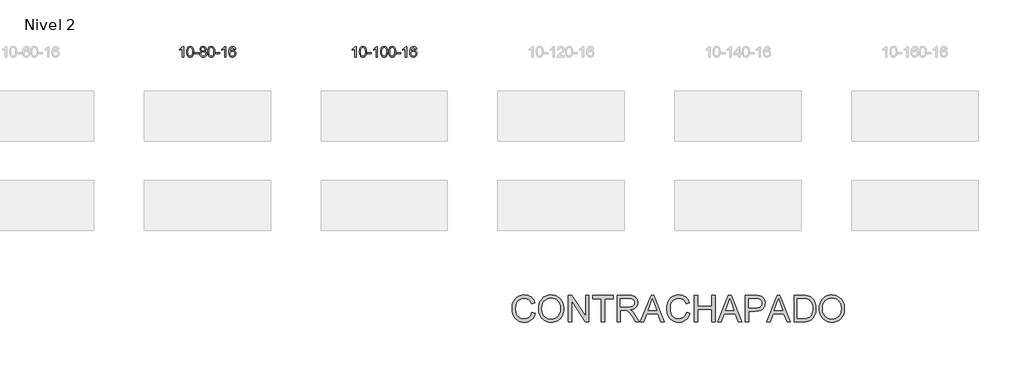
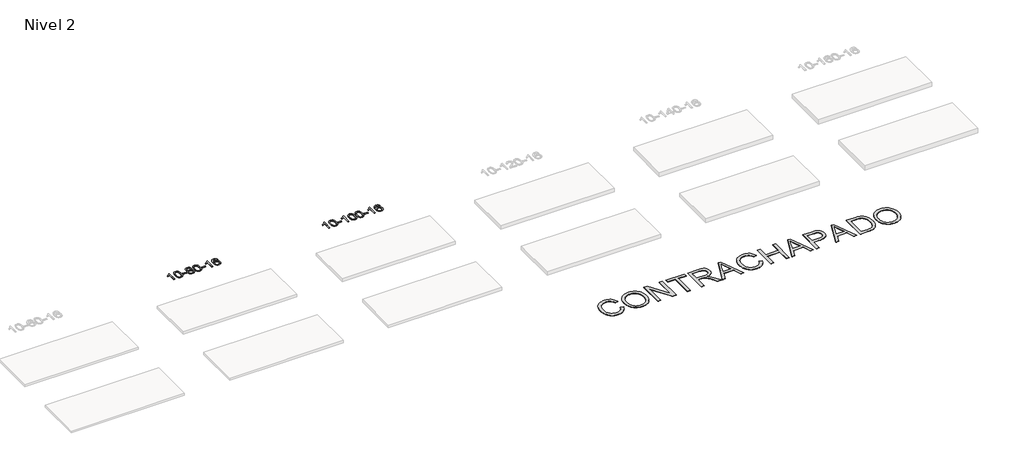
# One storey, part 39 of 51: 3 proxies.
"""IFC4 building model written with IfcOpenShell, lengths in millimetres."""

from ifc_helpers import new_model, si_unit, frame, origin, place, context, project, spatial, polyline, outline, extrude, element, save

model = new_model("IFC4")

# Units and contexts
model_context = context("Model", 3, world=origin())
ifc_project = project(units=[si_unit("LENGTHUNIT", "METRE", prefix="MILLI")], contexts=[model_context])

# Site, building, storey
site = spatial("IfcSite", under=ifc_project)
building = spatial("IfcBuilding", under=site)
storey = spatial("IfcBuildingStorey", under=building, Name="Nivel 2", Elevation=3000.0)

# Proxies
placement = place(None, origin())
element("IfcBuildingElementProxy", 1, Name="Texto de modelo 1", ObjectType="Texto de modelo 1", at=placement, inside=storey, context=model_context, shape_type="SweptSolid", body=[
    extrude(outline(polyline([(11539.5560047, -51771.9246439), (11489.3278496, -51771.9246439), (11489.3278496, -51458.7834896), (11468.3585759, -51475.7428496), (11441.7484449, -51492.6776841), (11388.8715394, -51518.0370163), (11388.8715394, -51470.5557135), (11428.320752, -51449.0959304), (11462.4969894, -51423.56492), (11489.4382142, -51396.4152287), (11507.1823891, -51370.0994033), (11539.5560047, -51370.0994033), (11539.5560047, -51771.9246439)])), frame((0.0, 0.0, 3000.0), z_axis=(0.0, 0.0, 1.0), x_axis=(1.0, 0.0, 0.0)), (0.0, 0.0, 1.0), 10.0),
    extrude(outline(polyline([(11658.847873, -51574.2493852), (11662.5389556, -51509.9313497), (11673.6122037, -51458.6363368), (11691.9572525, -51419.5795317), (11703.8153155, -51404.3461514), (11717.4637375, -51391.9761193), (11732.9485038, -51382.4050561), (11750.3155997, -51375.5685823), (11790.69678, -51370.0994033), (11821.6479186, -51373.3367649), (11849.3616955, -51383.0488496), (11872.5382612, -51398.8555126), (11889.8777659, -51420.3766093), (11902.974365, -51447.4281987), (11913.4222136, -51479.8263398), (11920.2648187, -51520.9678096), (11922.5456871, -51574.2493852), (11918.8913926, -51638.1995387), (11907.9285092, -51689.3719242), (11889.6938249, -51728.4655176), (11877.8633531, -51743.7448831), (11864.2241281, -51756.1792945), (11848.7209677, -51765.8147371), (11831.2986896, -51772.6971961), (11790.69678, -51778.2031633), (11763.032054, -51775.8119304), (11738.5065876, -51768.6382314), (11717.120381, -51756.6820666), (11698.873434, -51739.9434358), (11681.3622511, -51709.6851417), (11668.8542632, -51671.9833686), (11661.3494705, -51626.8381164), (11658.847873, -51574.2493852)]), holes=[polyline([(11709.076028, -51574.1512833), (11710.547556, -51617.8158105), (11714.96214, -51653.1600732), (11722.3197799, -51680.1840714), (11732.6204757, -51698.8878052), (11745.0794126, -51711.6134565), (11758.9117756, -51720.7032075), (11774.1175648, -51726.1570581), (11790.69678, -51727.9750082), (11807.2759953, -51726.1509267), (11822.4817844, -51720.678682), (11836.3141474, -51711.5582742), (11848.7730843, -51698.7897033), (11859.0737802, -51680.0553127), (11866.4314201, -51653.0374458), (11870.846004, -51617.7361027), (11872.317532, -51574.1512833), (11870.895055, -51531.6425188), (11866.6276238, -51496.9205898), (11859.5152386, -51469.9854964), (11849.5578993, -51450.8372385), (11837.3074288, -51437.4892535), (11823.3156503, -51427.9549784), (11807.5825636, -51422.2344134), (11790.1081688, -51420.3275584), (11773.6147927, -51422.0075529), (11758.666521, -51427.0475362), (11745.2633536, -51435.4475084), (11733.4052906, -51447.2074695), (11722.7612383, -51468.0541159), (11715.1583437, -51496.1603004), (11710.5966069, -51531.5260228), (11709.076028, -51574.1512833)])]), frame((0.0, 0.0, 3000.0), z_axis=(0.0, 0.0, 1.0), x_axis=(1.0, 0.0, 0.0)), (0.0, 0.0, 1.0), 10.0),
    extrude(outline(polyline([(11953.938284, -51652.6327756), (11953.938284, -51602.4046206), (12110.9012686, -51602.4046206), (12110.9012686, -51652.6327756), (11953.938284, -51652.6327756)])), frame((0.0, 0.0, 3000.0), z_axis=(0.0, 0.0, 1.0), x_axis=(1.0, 0.0, 0.0)), (0.0, 0.0, 1.0), 10.0),
    extrude(outline(polyline([(12228.0348959, -51550.6068356), (12201.142722, -51537.3630838), (12182.2703757, -51519.4104424), (12171.1235512, -51497.1167935), (12167.4079431, -51470.8500191), (12169.4312941, -51450.3651233), (12175.501347, -51431.5847475), (12185.6181019, -51414.5088915), (12199.7815587, -51399.1375555), (12217.3111357, -51386.4333639), (12237.5262514, -51377.3589414), (12260.4269056, -51371.9142878), (12286.0130983, -51370.0994033), (12311.7219184, -51371.9572074), (12334.7942509, -51377.5306196), (12355.2300957, -51386.81964), (12373.0294529, -51399.8242685), (12387.4504271, -51415.4960415), (12397.751123, -51432.7864953), (12403.9315405, -51451.6956299), (12405.9916797, -51472.2234452), (12402.3251225, -51497.6440911), (12391.3254508, -51519.5575952), (12372.8700374, -51537.399872), (12346.8362549, -51550.6068356), (12377.7506052, -51566.536126), (12400.2527206, -51589.9947346), (12413.974719, -51619.8544899), (12418.5487185, -51654.9872204), (12416.2801128, -51680.0399843), (12409.4742959, -51703.0080835), (12398.1312677, -51723.8915181), (12382.2510283, -51742.6902881), (12362.6674434, -51758.227171), (12340.214379, -51769.3249445), (12314.891835, -51775.9836086), (12286.6998114, -51778.2031633), (12258.5077878, -51775.9744116), (12233.1852438, -51769.2881563), (12210.7321794, -51758.1443975), (12191.1485945, -51742.5431353), (12175.2683551, -51723.6125409), (12163.9253269, -51702.480786), (12157.11951, -51679.1478704), (12154.8509043, -51653.6137943), (12159.6088448, -51617.1199004), (12173.8826662, -51587.1007296), (12196.9366046, -51564.5863515), (12228.0348959, -51550.6068356)]), holes=[polyline([(12217.6360982, -51472.3215471), (12222.0874703, -51494.247314), (12235.4415867, -51511.7584969), (12257.30604, -51523.2364152), (12287.2884226, -51527.0623879), (12316.5718294, -51523.2609407), (12338.1051889, -51511.8565988), (12351.3489407, -51494.934027), (12355.7635246, -51474.57789), (12351.2017879, -51453.4492007), (12337.5165777, -51435.9748059), (12315.6889126, -51424.2393703), (12286.6998114, -51420.3275584), (12257.5267692, -51424.1535312), (12235.7358923, -51435.6314494), (12222.1610467, -51452.4559193), (12217.6360982, -51472.3215471)]), polyline([(12205.0790594, -51651.8479607), (12207.1759868, -51671.0636636), (12213.4667689, -51689.6662298), (12225.0795772, -51705.8898258), (12243.1425832, -51717.968618), (12264.7740445, -51725.4734107), (12287.0922189, -51727.9750082), (12321.2807189, -51722.7142957), (12335.1743956, -51716.1384051), (12346.9343567, -51706.9321581), (12362.9740117, -51683.0320912), (12368.3205634, -51653.4175906), (12362.8023335, -51623.3003179), (12346.2476437, -51598.8729534), (12334.1688515, -51589.4306489), (12320.0053947, -51582.6861456), (12285.4244871, -51577.290543), (12251.7142337, -51582.6125692), (12237.9769068, -51589.265102), (12226.3181133, -51598.5786478), (12210.3888229, -51622.5400284), (12205.0790594, -51651.8479607)])]), frame((0.0, 0.0, 3000.0), z_axis=(0.0, 0.0, 1.0), x_axis=(1.0, 0.0, 0.0)), (0.0, 0.0, 1.0), 10.0),
    extrude(outline(polyline([(12462.4983542, -51574.2493852), (12466.1894368, -51509.9313497), (12477.2626849, -51458.6363368), (12495.6077337, -51419.5795317), (12507.4657967, -51404.3461514), (12521.1142187, -51391.9761193), (12536.598985, -51382.4050561), (12553.9660809, -51375.5685823), (12594.3472612, -51370.0994033), (12625.2983998, -51373.3367649), (12653.0121767, -51383.0488496), (12676.1887424, -51398.8555126), (12693.5282471, -51420.3766093), (12706.6248462, -51447.4281987), (12717.0726948, -51479.8263398), (12723.9152999, -51520.9678096), (12726.1961683, -51574.2493852), (12722.5418738, -51638.1995387), (12711.5789904, -51689.3719242), (12693.3443061, -51728.4655176), (12681.5138343, -51743.7448831), (12667.8746093, -51756.1792945), (12652.3714489, -51765.8147371), (12634.9491708, -51772.6971961), (12594.3472612, -51778.2031633), (12566.6825352, -51775.8119304), (12542.1570688, -51768.6382314), (12520.7708622, -51756.6820666), (12502.5239152, -51739.9434358), (12485.0127323, -51709.6851417), (12472.5047444, -51671.9833686), (12464.9999517, -51626.8381164), (12462.4983542, -51574.2493852)]), holes=[polyline([(12512.7265092, -51574.1512833), (12514.1980372, -51617.8158105), (12518.6126212, -51653.1600732), (12525.9702611, -51680.1840714), (12536.2709569, -51698.8878052), (12548.7298938, -51711.6134565), (12562.5622568, -51720.7032075), (12577.768046, -51726.1570581), (12594.3472612, -51727.9750082), (12610.9264765, -51726.1509267), (12626.1322656, -51720.678682), (12639.9646286, -51711.5582742), (12652.4235655, -51698.7897033), (12662.7242614, -51680.0553127), (12670.0819013, -51653.0374458), (12674.4964852, -51617.7361027), (12675.9680132, -51574.1512833), (12674.5455362, -51531.6425188), (12670.278105, -51496.9205898), (12663.1657198, -51469.9854964), (12653.2083805, -51450.8372385), (12640.95791, -51437.4892535), (12626.9661315, -51427.9549784), (12611.2330448, -51422.2344134), (12593.75865, -51420.3275584), (12577.2652739, -51422.0075529), (12562.3170022, -51427.0475362), (12548.9138348, -51435.4475084), (12537.0557718, -51447.2074695), (12526.4117194, -51468.0541159), (12518.8088249, -51496.1603004), (12514.2470881, -51531.5260228), (12512.7265092, -51574.1512833)])]), frame((0.0, 0.0, 3000.0), z_axis=(0.0, 0.0, 1.0), x_axis=(1.0, 0.0, 0.0)), (0.0, 0.0, 1.0), 10.0),
    extrude(outline(polyline([(12757.5887652, -51652.6327756), (12757.5887652, -51602.4046206), (12914.5517498, -51602.4046206), (12914.5517498, -51652.6327756), (12757.5887652, -51652.6327756)])), frame((0.0, 0.0, 3000.0), z_axis=(0.0, 0.0, 1.0), x_axis=(1.0, 0.0, 0.0)), (0.0, 0.0, 1.0), 10.0),
    extrude(outline(polyline([(13146.856967, -51771.9246439), (13096.628812, -51771.9246439), (13096.628812, -51458.7834896), (13075.6595382, -51475.7428496), (13049.0494073, -51492.6776841), (12996.1725018, -51518.0370163), (12996.1725018, -51470.5557135), (13035.6217144, -51449.0959304), (13069.7979518, -51423.56492), (13096.7391766, -51396.4152287), (13114.4833515, -51370.0994033), (13146.856967, -51370.0994033), (13146.856967, -51771.9246439)])), frame((0.0, 0.0, 3000.0), z_axis=(0.0, 0.0, 1.0), x_axis=(1.0, 0.0, 0.0)), (0.0, 0.0, 1.0), 10.0),
    extrude(outline(polyline([(13523.5681301, -51476.8342329), (13473.339975, -51483.1127523), (13465.2465711, -51458.2194039), (13454.3082132, -51441.2232557), (13431.5240549, -51425.5514827), (13403.9819562, -51420.3275584), (13380.6337123, -51423.3687162), (13358.6588944, -51432.4921897), (13339.7865481, -51451.7078926), (13324.3722925, -51478.1586081), (13313.961232, -51515.572207), (13310.098471, -51567.6765602), (13330.2461416, -51544.1689007), (13354.3914633, -51527.6019482), (13381.1855352, -51517.7794989), (13409.2794569, -51514.5053492), (13433.4125158, -51516.743298), (13455.6816393, -51523.4571444), (13476.0868273, -51534.6468884), (13494.6280798, -51550.31253), (13510.0362041, -51569.5221016), (13521.0420071, -51591.3436352), (13527.6454889, -51615.7771311), (13529.8466495, -51642.8225891), (13525.7018457, -51678.7891855), (13513.2674342, -51712.131557), (13493.5734848, -51740.4094197), (13467.6500668, -51761.1824897), (13436.6744028, -51773.9479949), (13401.8237152, -51778.2031633), (13371.8811864, -51775.3827347), (13344.8387941, -51766.9214488), (13320.6965382, -51752.8193057), (13299.4544186, -51733.0763052), (13282.1363737, -51706.8585817), (13269.7663416, -51673.3322692), (13262.3443224, -51632.4973678), (13259.870316, -51584.3538773), (13262.6171682, -51530.3794573), (13270.8577249, -51484.3145001), (13284.591986, -51446.1590058), (13303.8199517, -51415.9129745), (13324.6604667, -51395.8695371), (13348.8241824, -51381.5527961), (13376.3110988, -51372.9627515), (13407.1212159, -51370.0994033), (13430.254862, -51371.8713683), (13451.1934789, -51377.1872631), (13469.9370666, -51386.0470878), (13486.485625, -51398.4508424), (13500.3915644, -51413.981594), (13511.2072951, -51432.2224096), (13518.932817, -51453.1732892), (13523.5681301, -51476.8342329)]), holes=[polyline([(13310.098471, -51642.0377742), (13313.0047388, -51664.2946349), (13321.7235421, -51685.5459515), (13335.2615995, -51703.8174239), (13352.6256297, -51717.1347521), (13373.5826407, -51725.2649442), (13397.8996406, -51727.9750082), (13431.0458083, -51722.3586765), (13444.9609448, -51715.3382617), (13457.1041163, -51705.5096811), (13466.9541567, -51693.2714734), (13473.9898999, -51679.0221774), (13479.6184944, -51644.4903208), (13474.0634763, -51611.344153), (13467.1197036, -51597.7233222), (13457.3984219, -51586.07066), (13445.2184622, -51576.7356543), (13430.8986555, -51570.0677932), (13395.8395014, -51564.7335043), (13362.7423846, -51570.0677932), (13335.0653958, -51586.07066), (13324.1423662, -51597.570038), (13316.3402022, -51610.7310164), (13311.6589038, -51625.5535951), (13310.098471, -51642.0377742)])]), frame((0.0, 0.0, 3000.0), z_axis=(0.0, 0.0, 1.0), x_axis=(1.0, 0.0, 0.0)), (0.0, 0.0, 1.0), 10.0),
])
element("IfcBuildingElementProxy", 2, Name="Texto de modelo 1", ObjectType="Texto de modelo 1", at=placement, inside=storey, context=model_context, shape_type="SweptSolid", body=[
    extrude(outline(polyline([(18100.6728146, -51771.9246439), (18050.4446595, -51771.9246439), (18050.4446595, -51458.7834896), (18029.4753858, -51475.7428496), (18002.8652548, -51492.6776841), (17949.9883493, -51518.0370163), (17949.9883493, -51470.5557135), (17989.437562, -51449.0959304), (18023.6137993, -51423.56492), (18050.5550241, -51396.4152287), (18068.299199, -51370.0994033), (18100.6728146, -51370.0994033), (18100.6728146, -51771.9246439)])), frame((0.0, 0.0, 3000.0), z_axis=(0.0, 0.0, 1.0), x_axis=(1.0, 0.0, 0.0)), (0.0, 0.0, 1.0), 10.0),
    extrude(outline(polyline([(18219.9646829, -51574.2493852), (18223.6557656, -51509.9313497), (18234.7290136, -51458.6363368), (18253.0740624, -51419.5795317), (18264.9321254, -51404.3461514), (18278.5805474, -51391.9761193), (18294.0653137, -51382.4050561), (18311.4324096, -51375.5685823), (18351.8135899, -51370.0994033), (18382.7647285, -51373.3367649), (18410.4785054, -51383.0488496), (18433.6550711, -51398.8555126), (18450.9945758, -51420.3766093), (18464.0911749, -51447.4281987), (18474.5390235, -51479.8263398), (18481.3816286, -51520.9678096), (18483.662497, -51574.2493852), (18480.0082025, -51638.1995387), (18469.0453191, -51689.3719242), (18450.8106348, -51728.4655176), (18438.980163, -51743.7448831), (18425.340938, -51756.1792945), (18409.8377776, -51765.8147371), (18392.4154995, -51772.6971961), (18351.8135899, -51778.2031633), (18324.1488639, -51775.8119304), (18299.6233976, -51768.6382314), (18278.2371909, -51756.6820666), (18259.9902439, -51739.9434358), (18242.479061, -51709.6851417), (18229.9710731, -51671.9833686), (18222.4662804, -51626.8381164), (18219.9646829, -51574.2493852)]), holes=[polyline([(18270.1928379, -51574.1512833), (18271.6643659, -51617.8158105), (18276.0789499, -51653.1600732), (18283.4365898, -51680.1840714), (18293.7372856, -51698.8878052), (18306.1962225, -51711.6134565), (18320.0285856, -51720.7032075), (18335.2343747, -51726.1570581), (18351.8135899, -51727.9750082), (18368.3928052, -51726.1509267), (18383.5985943, -51720.678682), (18397.4309573, -51711.5582742), (18409.8898942, -51698.7897033), (18420.1905901, -51680.0553127), (18427.54823, -51653.0374458), (18431.962814, -51617.7361027), (18433.4343419, -51574.1512833), (18432.0118649, -51531.6425188), (18427.7444337, -51496.9205898), (18420.6320485, -51469.9854964), (18410.6747092, -51450.8372385), (18398.4242387, -51437.4892535), (18384.4324602, -51427.9549784), (18368.6993735, -51422.2344134), (18351.2249787, -51420.3275584), (18334.7316026, -51422.0075529), (18319.7833309, -51427.0475362), (18306.3801635, -51435.4475084), (18294.5221006, -51447.2074695), (18283.8780482, -51468.0541159), (18276.2751536, -51496.1603004), (18271.7134169, -51531.5260228), (18270.1928379, -51574.1512833)])]), frame((0.0, 0.0, 3000.0), z_axis=(0.0, 0.0, 1.0), x_axis=(1.0, 0.0, 0.0)), (0.0, 0.0, 1.0), 10.0),
    extrude(outline(polyline([(18515.0550939, -51652.6327756), (18515.0550939, -51602.4046206), (18672.0180785, -51602.4046206), (18672.0180785, -51652.6327756), (18515.0550939, -51652.6327756)])), frame((0.0, 0.0, 3000.0), z_axis=(0.0, 0.0, 1.0), x_axis=(1.0, 0.0, 0.0)), (0.0, 0.0, 1.0), 10.0),
    extrude(outline(polyline([(18904.3232958, -51771.9246439), (18854.0951407, -51771.9246439), (18854.0951407, -51458.7834896), (18833.125867, -51475.7428496), (18806.515736, -51492.6776841), (18753.6388305, -51518.0370163), (18753.6388305, -51470.5557135), (18793.0880432, -51449.0959304), (18827.2642805, -51423.56492), (18854.2055053, -51396.4152287), (18871.9496802, -51370.0994033), (18904.3232958, -51370.0994033), (18904.3232958, -51771.9246439)])), frame((0.0, 0.0, 3000.0), z_axis=(0.0, 0.0, 1.0), x_axis=(1.0, 0.0, 0.0)), (0.0, 0.0, 1.0), 10.0),
    extrude(outline(polyline([(19023.6151641, -51574.2493852), (19027.3062467, -51509.9313497), (19038.3794948, -51458.6363368), (19056.7245436, -51419.5795317), (19068.5826066, -51404.3461514), (19082.2310286, -51391.9761193), (19097.7157949, -51382.4050561), (19115.0828908, -51375.5685823), (19155.4640711, -51370.0994033), (19186.4152097, -51373.3367649), (19214.1289866, -51383.0488496), (19237.3055523, -51398.8555126), (19254.645057, -51420.3766093), (19267.7416561, -51447.4281987), (19278.1895047, -51479.8263398), (19285.0321098, -51520.9678096), (19287.3129782, -51574.2493852), (19283.6586837, -51638.1995387), (19272.6958003, -51689.3719242), (19254.461116, -51728.4655176), (19242.6306442, -51743.7448831), (19228.9914192, -51756.1792945), (19213.4882588, -51765.8147371), (19196.0659807, -51772.6971961), (19155.4640711, -51778.2031633), (19127.7993451, -51775.8119304), (19103.2738788, -51768.6382314), (19081.8876721, -51756.6820666), (19063.6407251, -51739.9434358), (19046.1295422, -51709.6851417), (19033.6215543, -51671.9833686), (19026.1167616, -51626.8381164), (19023.6151641, -51574.2493852)]), holes=[polyline([(19073.8433191, -51574.1512833), (19075.3148471, -51617.8158105), (19079.7294311, -51653.1600732), (19087.087071, -51680.1840714), (19097.3877668, -51698.8878052), (19109.8467037, -51711.6134565), (19123.6790668, -51720.7032075), (19138.8848559, -51726.1570581), (19155.4640711, -51727.9750082), (19172.0432864, -51726.1509267), (19187.2490755, -51720.678682), (19201.0814385, -51711.5582742), (19213.5403754, -51698.7897033), (19223.8410713, -51680.0553127), (19231.1987112, -51653.0374458), (19235.6132951, -51617.7361027), (19237.0848231, -51574.1512833), (19235.6623461, -51531.6425188), (19231.3949149, -51496.9205898), (19224.2825297, -51469.9854964), (19214.3251904, -51450.8372385), (19202.0747199, -51437.4892535), (19188.0829414, -51427.9549784), (19172.3498547, -51422.2344134), (19154.8754599, -51420.3275584), (19138.3820838, -51422.0075529), (19123.4338121, -51427.0475362), (19110.0306447, -51435.4475084), (19098.1725818, -51447.2074695), (19087.5285294, -51468.0541159), (19079.9256348, -51496.1603004), (19075.3638981, -51531.5260228), (19073.8433191, -51574.1512833)])]), frame((0.0, 0.0, 3000.0), z_axis=(0.0, 0.0, 1.0), x_axis=(1.0, 0.0, 0.0)), (0.0, 0.0, 1.0), 10.0),
    extrude(outline(polyline([(19331.2626139, -51574.2493852), (19334.9536966, -51509.9313497), (19346.0269446, -51458.6363368), (19364.3719935, -51419.5795317), (19376.2300564, -51404.3461514), (19389.8784785, -51391.9761193), (19405.3632448, -51382.4050561), (19422.7303406, -51375.5685823), (19463.111521, -51370.0994033), (19494.0626595, -51373.3367649), (19521.7764365, -51383.0488496), (19544.9530022, -51398.8555126), (19562.2925069, -51420.3766093), (19575.3891059, -51447.4281987), (19585.8369546, -51479.8263398), (19592.6795597, -51520.9678096), (19594.960428, -51574.2493852), (19591.3061336, -51638.1995387), (19580.3432501, -51689.3719242), (19562.1085659, -51728.4655176), (19550.278094, -51743.7448831), (19536.6388691, -51756.1792945), (19521.1357087, -51765.8147371), (19503.7134305, -51772.6971961), (19463.111521, -51778.2031633), (19435.4467949, -51775.8119304), (19410.9213286, -51768.6382314), (19389.5351219, -51756.6820666), (19371.288175, -51739.9434358), (19353.776992, -51709.6851417), (19341.2690042, -51671.9833686), (19333.7642115, -51626.8381164), (19331.2626139, -51574.2493852)]), holes=[polyline([(19381.490769, -51574.1512833), (19382.962297, -51617.8158105), (19387.3768809, -51653.1600732), (19394.7345208, -51680.1840714), (19405.0352167, -51698.8878052), (19417.4941536, -51711.6134565), (19431.3265166, -51720.7032075), (19446.5323057, -51726.1570581), (19463.111521, -51727.9750082), (19479.6907362, -51726.1509267), (19494.8965254, -51720.678682), (19508.7288884, -51711.5582742), (19521.1878253, -51698.7897033), (19531.4885211, -51680.0553127), (19538.846161, -51653.0374458), (19543.260745, -51617.7361027), (19544.732273, -51574.1512833), (19543.3097959, -51531.6425188), (19539.0423648, -51496.9205898), (19531.9299795, -51469.9854964), (19521.9726402, -51450.8372385), (19509.7221698, -51437.4892535), (19495.7303912, -51427.9549784), (19479.9973045, -51422.2344134), (19462.5229098, -51420.3275584), (19446.0295337, -51422.0075529), (19431.0812619, -51427.0475362), (19417.6780946, -51435.4475084), (19405.8200316, -51447.2074695), (19395.1759792, -51468.0541159), (19387.5730846, -51496.1603004), (19383.0113479, -51531.5260228), (19381.490769, -51574.1512833)])]), frame((0.0, 0.0, 3000.0), z_axis=(0.0, 0.0, 1.0), x_axis=(1.0, 0.0, 0.0)), (0.0, 0.0, 1.0), 10.0),
    extrude(outline(polyline([(19626.353025, -51652.6327756), (19626.353025, -51602.4046206), (19783.3160096, -51602.4046206), (19783.3160096, -51652.6327756), (19626.353025, -51652.6327756)])), frame((0.0, 0.0, 3000.0), z_axis=(0.0, 0.0, 1.0), x_axis=(1.0, 0.0, 0.0)), (0.0, 0.0, 1.0), 10.0),
    extrude(outline(polyline([(20015.6212268, -51771.9246439), (19965.3930717, -51771.9246439), (19965.3930717, -51458.7834896), (19944.423798, -51475.7428496), (19917.813667, -51492.6776841), (19864.9367616, -51518.0370163), (19864.9367616, -51470.5557135), (19904.3859742, -51449.0959304), (19938.5622115, -51423.56492), (19965.5034363, -51396.4152287), (19983.2476112, -51370.0994033), (20015.6212268, -51370.0994033), (20015.6212268, -51771.9246439)])), frame((0.0, 0.0, 3000.0), z_axis=(0.0, 0.0, 1.0), x_axis=(1.0, 0.0, 0.0)), (0.0, 0.0, 1.0), 10.0),
    extrude(outline(polyline([(20392.3323899, -51476.8342329), (20342.1042348, -51483.1127523), (20334.0108309, -51458.2194039), (20323.0724729, -51441.2232557), (20300.2883147, -51425.5514827), (20272.746216, -51420.3275584), (20249.397972, -51423.3687162), (20227.4231541, -51432.4921897), (20208.5508078, -51451.7078926), (20193.1365522, -51478.1586081), (20182.7254917, -51515.572207), (20178.8627308, -51567.6765602), (20199.0104014, -51544.1689007), (20223.155723, -51527.6019482), (20249.949795, -51517.7794989), (20278.0437167, -51514.5053492), (20302.1767756, -51516.743298), (20324.445899, -51523.4571444), (20344.851087, -51534.6468884), (20363.3923396, -51550.31253), (20378.8004638, -51569.5221016), (20389.8062668, -51591.3436352), (20396.4097486, -51615.7771311), (20398.6109092, -51642.8225891), (20394.4661054, -51678.7891855), (20382.031694, -51712.131557), (20362.3377445, -51740.4094197), (20336.4143266, -51761.1824897), (20305.4386626, -51773.9479949), (20270.5879749, -51778.2031633), (20240.6454462, -51775.3827347), (20213.6030539, -51766.9214488), (20189.4607979, -51752.8193057), (20168.2186784, -51733.0763052), (20150.9006335, -51706.8585817), (20138.5306014, -51673.3322692), (20131.1085821, -51632.4973678), (20128.6345757, -51584.3538773), (20131.3814279, -51530.3794573), (20139.6219846, -51484.3145001), (20153.3562458, -51446.1590058), (20172.5842114, -51415.9129745), (20193.4247264, -51395.8695371), (20217.5884421, -51381.5527961), (20245.0753585, -51372.9627515), (20275.8854756, -51370.0994033), (20299.0191218, -51371.8713683), (20319.9577387, -51377.1872631), (20338.7013263, -51386.0470878), (20355.2498847, -51398.4508424), (20369.1558242, -51413.981594), (20379.9715548, -51432.2224096), (20387.6970767, -51453.1732892), (20392.3323899, -51476.8342329)]), holes=[polyline([(20178.8627308, -51642.0377742), (20181.7689985, -51664.2946349), (20190.4878018, -51685.5459515), (20204.0258593, -51703.8174239), (20221.3898894, -51717.1347521), (20242.3469004, -51725.2649442), (20266.6639003, -51727.9750082), (20299.8100681, -51722.3586765), (20313.7252045, -51715.3382617), (20325.8683761, -51705.5096811), (20335.7184165, -51693.2714734), (20342.7541596, -51679.0221774), (20348.3827542, -51644.4903208), (20342.827736, -51611.344153), (20335.8839634, -51597.7233222), (20326.1626817, -51586.07066), (20313.9827219, -51576.7356543), (20299.6629153, -51570.0677932), (20264.6037611, -51564.7335043), (20231.5066443, -51570.0677932), (20203.8296555, -51586.07066), (20192.9066259, -51597.570038), (20185.104462, -51610.7310164), (20180.4231636, -51625.5535951), (20178.8627308, -51642.0377742)])]), frame((0.0, 0.0, 3000.0), z_axis=(0.0, 0.0, 1.0), x_axis=(1.0, 0.0, 0.0)), (0.0, 0.0, 1.0), 10.0),
])
element("IfcBuildingElementProxy", 3, Name="Texto de modelo 2", ObjectType="Texto de modelo 2", at=placement, inside=storey, context=model_context, shape_type="SweptSolid", body=[
    extrude(outline(polyline([(24768.6417779, -61481.6813775), (24894.2121656, -61514.054993), (24869.3648025, -61592.1456107), (24836.2707513, -61660.3800566), (24794.9300121, -61718.7583307), (24771.1671345, -61744.2514034), (24745.3425848, -61767.280433), (24688.6274439, -61805.4251974), (24625.9035637, -61832.6714577), (24557.1709443, -61849.0192138), (24482.4295856, -61854.4684659), (24405.8564812, -61850.3451219), (24336.7789724, -61837.9750898), (24275.1970592, -61817.3583696), (24221.1107417, -61788.4949614), (24173.7765917, -61751.8140608), (24132.4511809, -61707.7448635), (24097.1345093, -61656.2873694), (24067.8265771, -61597.4415786), (24044.8109597, -61533.7520082), (24028.3712331, -61467.7631753), (24018.5073971, -61399.47508), (24015.2194517, -61328.8877221), (24018.9365927, -61253.1500164), (24030.0880157, -61182.4093744), (24048.6737207, -61116.6657962), (24074.6937076, -61055.9192817), (24107.5654967, -61001.1738423), (24146.7066082, -60953.4334892), (24192.117042, -60912.6982225), (24243.7967981, -60878.968042), (24299.9907728, -60852.5188594), (24358.9438626, -60833.6265861), (24420.6560673, -60822.2912221), (24485.1273869, -60818.5127675), (24556.9486823, -60823.4025323), (24622.8072236, -60838.0718269), (24682.703011, -60862.5206512), (24736.6360443, -60896.7490051), (24783.7172755, -60939.8525122), (24823.0576563, -60990.9267959), (24854.6571869, -61049.9718561), (24878.5158671, -61116.9876929), (24752.9454794, -61146.9087618), (24733.1718222, -61097.5282682), (24709.4127766, -61055.3368019), (24681.6683428, -61020.3343629), (24649.9385208, -60992.5209512), (24614.0393694, -60971.3294154), (24573.7869478, -60956.1926042), (24529.1812558, -60947.1105174), (24480.2222936, -60944.0831552), (24423.8903631, -60947.4400784), (24372.3715554, -60957.510848), (24325.6658704, -60974.295464), (24283.7733082, -60997.7939265), (24247.2226992, -61026.9485746), (24216.5428736, -61060.7017476), (24191.7338316, -61099.0534456), (24172.795573, -61142.0036686), (24158.7930646, -61187.6057076), (24148.7912728, -61233.9128537), (24142.7901978, -61280.925107), (24140.7898394, -61328.6424675), (24143.1580798, -61388.6072327), (24150.2628008, -61444.6479233), (24162.1040025, -61496.7645393), (24178.6816849, -61544.9570806), (24200.2640953, -61588.2675214), (24227.119481, -61625.7378354), (24259.2478419, -61657.3680228), (24296.6491781, -61683.1580835), (24337.5070721, -61703.1693312), (24380.0051068, -61717.4630795), (24424.143282, -61726.0393285), (24469.9215978, -61728.8980782), (24524.513753, -61725.0046604), (24574.7373096, -61713.3244071), (24620.5922674, -61693.8573182), (24662.0786266, -61666.6033937), (24698.2153684, -61631.685261), (24728.0214742, -61589.2255474), (24751.496944, -61539.2242529), (24768.6417779, -61481.6813775)])), frame((0.0, 0.0, 3000.0), z_axis=(0.0, 0.0, 1.0), x_axis=(1.0, 0.0, 0.0)), (0.0, 0.0, 1.0), 10.0),
    extrude(outline(polyline([(25019.7825532, -61349.7343685), (25021.8748821, -61289.1296419), (25028.1518686, -61231.9048311), (25038.6135129, -61178.0599362), (25053.2598148, -61127.5949571), (25072.0907744, -61080.5098938), (25095.1063918, -61036.8047464), (25122.3066668, -60996.4795148), (25153.6915995, -60959.534199), (25188.383638, -60926.482301), (25225.5052306, -60897.8373227), (25265.0563772, -60873.5992642), (25307.0370778, -60853.7681254), (25351.4473324, -60838.3439063), (25398.287141, -60827.326607), (25447.5565037, -60820.7162274), (25499.2554203, -60818.5127675), (25566.8384085, -60822.6514399), (25631.0184882, -60835.0674573), (25691.7956595, -60855.7608195), (25749.1699223, -60884.7315266), (25801.531793, -60921.1058589), (25847.2717877, -60964.0100966), (25886.3899065, -61013.4442397), (25918.8861495, -61069.4082882), (25944.4232913, -61130.6299836), (25962.6641069, -61195.8370672), (25973.6085962, -61265.0295391), (25977.2567594, -61338.2073993), (25973.416991, -61412.3509498), (25961.8976861, -61482.4784551), (25942.6988444, -61548.5899153), (25915.8204662, -61610.6853304), (25881.8986805, -61667.1245599), (25841.5696168, -61716.267463), (25794.833275, -61758.11404), (25741.6896551, -61792.6642907), (25684.231086, -61819.7036174), (25624.5498965, -61839.0174221), (25562.6460866, -61850.605705), (25498.5196563, -61854.4684659), (25429.75638, -61850.1995019), (25364.7332374, -61837.39261), (25303.4502284, -61816.04779), (25245.9073529, -61786.1650421), (25193.606796, -61748.9016617), (25148.0507422, -61705.4149442), (25109.2391917, -61655.7048896), (25077.1721445, -61599.7714979), (25052.0641983, -61539.8603822), (25034.1299511, -61478.2171553), (25023.3694027, -61414.8418175), (25019.7825532, -61349.7343685)]), holes=[polyline([(25145.3529409, -61350.9606418), (25146.9221876, -61393.7537485), (25151.6299275, -61434.2092717), (25159.4761606, -61472.3272113), (25170.4608871, -61508.1075674), (25184.5841068, -61541.5503401), (25201.8458198, -61572.6555292), (25222.2460261, -61601.4231348), (25245.7847256, -61627.8531569), (25271.6916655, -61651.5355603), (25299.1965928, -61672.06031), (25328.2995075, -61689.4274058), (25359.0004096, -61703.6368479), (25391.2992992, -61714.6886362), (25425.1961761, -61722.5827706), (25460.6910405, -61727.3192513), (25497.7838923, -61728.8980782), (25535.5550265, -61727.3039229), (25571.6132102, -61722.521457), (25605.9584434, -61714.5506804), (25638.590726, -61703.3915932), (25669.510058, -61689.0441954), (25698.7164395, -61671.508487), (25726.2098705, -61650.7844679), (25751.990351, -61626.8721382), (25775.3566058, -61600.0282489), (25795.60736, -61570.5095509), (25812.7426136, -61538.3160442), (25826.7623665, -61503.4477288), (25837.6666188, -61465.9046048), (25845.4553704, -61425.6866721), (25850.1286213, -61382.7939307), (25851.6863717, -61337.2263807), (25849.0192272, -61279.7601474), (25841.0177938, -61226.0647045), (25827.6820715, -61176.140052), (25809.0120602, -61129.9861901), (25785.2146937, -61088.208591), (25756.4969054, -61051.4127273), (25722.8586955, -61019.5985989), (25684.3000639, -60992.7662059), (25642.016627, -60971.4673712), (25597.2040015, -60956.2539178), (25549.8621872, -60947.1258458), (25499.9911843, -60944.0831552), (25429.9249926, -60949.9462745), (25364.9171784, -60967.5356324), (25334.3101628, -60980.7276508), (25304.9677416, -60996.8512289), (25250.0766822, -61037.8930639), (25225.5320554, -61063.3056624), (25204.2600454, -61092.6385033), (25186.2606524, -61125.8915868), (25171.5338762, -61163.0649128), (25160.079717, -61204.1584813), (25151.8981748, -61249.1722923), (25146.9892494, -61298.1063458), (25145.3529409, -61350.9606418)])]), frame((0.0, 0.0, 3000.0), z_axis=(0.0, 0.0, 1.0), x_axis=(1.0, 0.0, 0.0)), (0.0, 0.0, 1.0), 10.0),
    extrude(outline(polyline([(26149.9160424, -61838.7721674), (26149.9160424, -60834.2090659), (26284.315598, -60834.2090659), (26809.1605778, -61630.0604488), (26809.1605778, -60834.2090659), (26934.7309655, -60834.2090659), (26934.7309655, -61838.7721674), (26800.3314099, -61838.7721674), (26275.4864301, -61042.6755299), (26275.4864301, -61838.7721674), (26149.9160424, -61838.7721674)])), frame((0.0, 0.0, 3000.0), z_axis=(0.0, 0.0, 1.0), x_axis=(1.0, 0.0, 0.0)), (0.0, 0.0, 1.0), 10.0),
    extrude(outline(polyline([(27405.6199193, -61838.7721674), (27405.6199193, -60959.7794536), (27075.9976516, -60959.7794536), (27075.9976516, -60834.2090659), (27860.8125747, -60834.2090659), (27860.8125747, -60959.7794536), (27531.190307, -60959.7794536), (27531.190307, -61838.7721674), (27405.6199193, -61838.7721674)])), frame((0.0, 0.0, 3000.0), z_axis=(0.0, 0.0, 1.0), x_axis=(1.0, 0.0, 0.0)), (0.0, 0.0, 1.0), 10.0),
    extrude(outline(polyline([(28002.0792608, -61838.7721674), (28002.0792608, -60834.2090659), (28434.9537418, -60834.2090659), (28497.0874779, -60835.902856), (28551.2964228, -60840.984226), (28597.5805763, -60849.4531761), (28635.9399385, -60861.3097063), (28668.604794, -60877.4658572), (28697.8054274, -60898.8336698), (28723.5418386, -60925.4131439), (28745.8140277, -60957.2042797), (28763.786596, -60992.4979586), (28776.6241448, -61029.5850622), (28784.3266741, -61068.4655906), (28786.8941838, -61109.1395437), (28782.6405483, -61160.7349935), (28769.8796416, -61208.0998004), (28748.6114637, -61251.2339643), (28718.8360147, -61290.1374853), (28680.1700842, -61323.5687616), (28632.2304617, -61350.2861915), (28575.0171473, -61370.289775), (28508.5301408, -61383.5795121), (28549.9168653, -61410.6188387), (28579.8992479, -61437.2902834), (28631.3414136, -61498.2973809), (28681.6799332, -61566.539491), (28849.1888684, -61838.7721674), (28703.2623436, -61838.7721674), (28572.541608, -61630.5509582), (28520.241051, -61551.0884472), (28478.1185626, -61492.7178373), (28443.0164889, -61452.5267293), (28411.7771761, -61427.6027242), (28382.1933323, -61412.9794149), (28352.0576656, -61403.6903945), (28279.2170305, -61399.2758105), (28127.6496485, -61399.2758105), (28127.6496485, -61838.7721674), (28002.0792608, -61838.7721674)]), holes=[polyline([(28127.6496485, -61273.7054229), (28408.7114928, -61273.7054229), (28489.4309339, -61269.2601821), (28552.0628436, -61255.9244598), (28577.2474318, -61245.700406), (28599.2130526, -61232.8092077), (28617.959706, -61217.250865), (28633.4873919, -61199.0253778), (28645.6658187, -61179.0294586), (28654.3646951, -61158.1598195), (28659.5840209, -61136.4164608), (28661.3237962, -61113.7993823), (28658.005194, -61081.6863498), (28648.0493875, -61052.5470301), (28631.4563767, -61026.3814232), (28608.2261615, -61003.1895291), (28577.8222475, -60984.1976211), (28539.7081399, -60970.6319725), (28493.8838389, -60962.4925833), (28440.3493444, -60959.7794536), (28127.6496485, -60959.7794536), (28127.6496485, -61273.7054229)])]), frame((0.0, 0.0, 3000.0), z_axis=(0.0, 0.0, 1.0), x_axis=(1.0, 0.0, 0.0)), (0.0, 0.0, 1.0), 10.0),
    extrude(outline(polyline([(28889.6558878, -61838.7721674), (29290.6472626, -60834.2090659), (29397.5782958, -60834.2090659), (29798.5696706, -61838.7721674), (29665.8868977, -61838.7721674), (29550.8624605, -61524.8461982), (29137.1178433, -61524.8461982), (29022.3386608, -61838.7721674), (28889.6558878, -61838.7721674)]), holes=[polyline([(29183.22572, -61399.2758105), (29504.9998384, -61399.2758105), (29414.5008676, -61152.3043644), (29344.1127792, -60959.7794536), (29281.57284, -61130.7219541), (29183.22572, -61399.2758105)])]), frame((0.0, 0.0, 3000.0), z_axis=(0.0, 0.0, 1.0), x_axis=(1.0, 0.0, 0.0)), (0.0, 0.0, 1.0), 10.0),
    extrude(outline(polyline([(30639.0574022, -61481.6813775), (30764.6277899, -61514.054993), (30739.7804268, -61592.1456107), (30706.6863757, -61660.3800566), (30665.3456365, -61718.7583307), (30641.5827588, -61744.2514034), (30615.7582092, -61767.280433), (30559.0430683, -61805.4251974), (30496.3191881, -61832.6714577), (30427.5865687, -61849.0192138), (30352.84521, -61854.4684659), (30276.2721055, -61850.3451219), (30207.1945967, -61837.9750898), (30145.6126836, -61817.3583696), (30091.5263661, -61788.4949614), (30044.192216, -61751.8140608), (30002.8668052, -61707.7448635), (29967.5501337, -61656.2873694), (29938.2422014, -61597.4415786), (29915.2265841, -61533.7520082), (29898.7868574, -61467.7631753), (29888.9230214, -61399.47508), (29885.6350761, -61328.8877221), (29889.3522171, -61253.1500164), (29900.5036401, -61182.4093744), (29919.089345, -61116.6657962), (29945.109332, -61055.9192817), (29977.9811211, -61001.1738423), (30017.1222326, -60953.4334892), (30062.5326663, -60912.6982225), (30114.2124224, -60878.968042), (30170.4063972, -60852.5188594), (30229.3594869, -60833.6265861), (30291.0716916, -60822.2912221), (30355.5430113, -60818.5127675), (30427.3643066, -60823.4025323), (30493.222848, -60838.0718269), (30553.1186353, -60862.5206512), (30607.0516687, -60896.7490051), (30654.1328998, -60939.8525122), (30693.4732807, -60990.9267959), (30725.0728112, -61049.9718561), (30748.9314915, -61116.9876929), (30623.3611038, -61146.9087618), (30603.5874465, -61097.5282682), (30579.828401, -61055.3368019), (30552.0839672, -61020.3343629), (30520.3541451, -60992.5209512), (30484.4549938, -60971.3294154), (30444.2025721, -60956.1926042), (30399.5968802, -60947.1105174), (30350.637918, -60944.0831552), (30294.3059875, -60947.4400784), (30242.7871798, -60957.510848), (30196.0814948, -60974.295464), (30154.1889326, -60997.7939265), (30117.6383235, -61026.9485746), (30086.958498, -61060.7017476), (30062.1494559, -61099.0534456), (30043.2111974, -61142.0036686), (30029.2086889, -61187.6057076), (30019.2068972, -61233.9128537), (30013.2058221, -61280.925107), (30011.2054638, -61328.6424675), (30013.5737041, -61388.6072327), (30020.6784252, -61444.6479233), (30032.5196269, -61496.7645393), (30049.0973093, -61544.9570806), (30070.6797197, -61588.2675214), (30097.5351053, -61625.7378354), (30129.6634662, -61657.3680228), (30167.0648024, -61683.1580835), (30207.9226965, -61703.1693312), (30250.4207312, -61717.4630795), (30294.5589064, -61726.0393285), (30340.3372221, -61728.8980782), (30394.9293774, -61725.0046604), (30445.1529339, -61713.3244071), (30491.0078918, -61693.8573182), (30532.494251, -61666.6033937), (30568.6309928, -61631.685261), (30598.4370986, -61589.2255474), (30621.9125684, -61539.2242529), (30639.0574022, -61481.6813775)])), frame((0.0, 0.0, 3000.0), z_axis=(0.0, 0.0, 1.0), x_axis=(1.0, 0.0, 0.0)), (0.0, 0.0, 1.0), 10.0),
    extrude(outline(polyline([(30937.287073, -61838.7721674), (30937.287073, -60834.2090659), (31062.8574607, -60834.2090659), (31062.8574607, -61242.3128259), (31596.5316083, -61242.3128259), (31596.5316083, -60834.2090659), (31722.101996, -60834.2090659), (31722.101996, -61838.7721674), (31596.5316083, -61838.7721674), (31596.5316083, -61367.8832136), (31062.8574607, -61367.8832136), (31062.8574607, -61838.7721674), (30937.287073, -61838.7721674)])), frame((0.0, 0.0, 3000.0), z_axis=(0.0, 0.0, 1.0), x_axis=(1.0, 0.0, 0.0)), (0.0, 0.0, 1.0), 10.0),
    extrude(outline(polyline([(31824.8637, -61838.7721674), (32225.8550748, -60834.2090659), (32332.786108, -60834.2090659), (32733.7774828, -61838.7721674), (32601.0947098, -61838.7721674), (32486.0702727, -61524.8461982), (32072.3256554, -61524.8461982), (31957.5464729, -61838.7721674), (31824.8637, -61838.7721674)]), holes=[polyline([(32118.4335322, -61399.2758105), (32440.2076506, -61399.2758105), (32349.7086798, -61152.3043644), (32279.3205914, -60959.7794536), (32216.7806522, -61130.7219541), (32118.4335322, -61399.2758105)])]), frame((0.0, 0.0, 3000.0), z_axis=(0.0, 0.0, 1.0), x_axis=(1.0, 0.0, 0.0)), (0.0, 0.0, 1.0), 10.0),
    extrude(outline(polyline([(32867.9317837, -61838.7721674), (32867.9317837, -60834.2090659), (33240.2283628, -60834.2090659), (33326.9258863, -60836.6002989), (33390.3242168, -60843.7739978), (33425.2653422, -60851.3079145), (33457.2480831, -60861.6469314), (33486.2724397, -60874.7910485), (33512.3384119, -60890.7402659), (33535.7219112, -60909.8241444), (33556.6988491, -60932.372245), (33575.2692257, -60958.3845677), (33591.4330409, -60987.8611126), (33604.5235085, -61019.8285251), (33613.8738426, -61053.3134509), (33619.484043, -61088.3158899), (33621.3541098, -61124.8358421), (33616.3033966, -61186.5020616), (33601.1512569, -61243.2325309), (33575.8976908, -61295.0272502), (33540.5426982, -61341.8862193), (33518.3069141, -61362.6945446), (33492.0052675, -61380.7284266), (33461.6377584, -61395.9878652), (33427.2043868, -61408.4728604), (33388.7051528, -61418.1834122), (33346.1400564, -61425.1195207), (33248.812276, -61430.6684075), (32993.5021714, -61430.6684075), (32993.5021714, -61838.7721674), (32867.9317837, -61838.7721674)]), holes=[polyline([(32993.5021714, -61305.0980198), (33256.1699159, -61305.0980198), (33316.5638768, -61302.2162775), (33367.5155331, -61293.5710506), (33409.0248849, -61279.1623391), (33441.0919322, -61258.990143), (33465.0195903, -61233.590957), (33482.1107746, -61203.5012754), (33492.3654852, -61168.7210985), (33495.7837221, -61129.2504261), (33493.7680353, -61099.9424938), (33487.7209751, -61072.8418535), (33477.6425412, -61047.9485051), (33463.5327339, -61025.2624488), (33446.1426454, -61005.5194484), (33426.2233682, -60989.4552679), (33403.7749023, -60977.0699074), (33378.7972476, -60968.3633669), (33330.3594516, -60961.9254319), (33253.22686, -60959.7794536), (32993.5021714, -60959.7794536), (32993.5021714, -61305.0980198)])]), frame((0.0, 0.0, 3000.0), z_axis=(0.0, 0.0, 1.0), x_axis=(1.0, 0.0, 0.0)), (0.0, 0.0, 1.0), 10.0),
    extrude(outline(polyline([(33677.0269184, -61838.7721674), (34078.0182931, -60834.2090659), (34184.9493264, -60834.2090659), (34585.9407012, -61838.7721674), (34453.2579282, -61838.7721674), (34338.2334911, -61524.8461982), (33924.4888738, -61524.8461982), (33809.7096913, -61838.7721674), (33677.0269184, -61838.7721674)]), holes=[polyline([(33970.5967506, -61399.2758105), (34292.370869, -61399.2758105), (34201.8718982, -61152.3043644), (34131.4838098, -60959.7794536), (34068.9438706, -61130.7219541), (33970.5967506, -61399.2758105)])]), frame((0.0, 0.0, 3000.0), z_axis=(0.0, 0.0, 1.0), x_axis=(1.0, 0.0, 0.0)), (0.0, 0.0, 1.0), 10.0),
    extrude(outline(polyline([(34720.0950021, -61838.7721674), (34720.0950021, -60834.2090659), (35066.6398415, -60834.2090659), (35170.1986232, -60837.8265722), (35245.9210005, -60848.6790911), (35287.5223228, -60860.6199275), (35325.9966481, -60876.5768091), (35361.3439765, -60896.5497357), (35393.5643079, -60920.5387075), (35430.7970315, -60956.4685157), (35463.0326913, -60997.0581625), (35490.2712874, -61042.3076479), (35512.5128197, -61092.2169719), (35529.787945, -61146.326282), (35542.1273203, -61204.1757258), (35549.5309454, -61265.7653031), (35551.9988205, -61331.0950141), (35550.3280231, -61386.6222027), (35545.3156309, -61438.9150955), (35536.9616439, -61487.9736924), (35525.2660622, -61533.7979934), (35494.7318566, -61614.5787482), (35476.6136683, -61649.2439621), (35456.5947564, -61680.0924002), (35412.6941716, -61731.8104773), (35364.8695123, -61771.2045077), (35309.9631245, -61800.4204694), (35244.8173545, -61821.604341), (35169.309575, -61834.4802108), (35083.3171586, -61838.7721674), (34720.0950021, -61838.7721674)]), holes=[polyline([(34845.6653897, -61713.2017798), (35067.8661148, -61713.2017798), (35159.7753, -61708.6645685), (35197.4065624, -61702.9930544), (35229.488938, -61695.0529347), (35282.0960634, -61673.1639559), (35303.8930716, -61659.4143664), (35322.6857102, -61643.79471), (35345.8546116, -61618.617786), (35366.3103834, -61589.4401452), (35384.0530255, -61556.2617878), (35399.0825378, -61519.0827136), (35411.0463669, -61477.8262807), (35419.5919591, -61432.4158469), (35424.7193144, -61382.8514123), (35426.4284328, -61329.1329768), (35423.0791738, -61256.2310281), (35413.0313968, -61192.2808746), (35396.2851018, -61137.2825163), (35372.8402888, -61091.2359532), (35344.5976815, -61053.0988531), (35313.4580034, -61021.8288835), (35279.4212547, -60997.4260445), (35242.4874352, -60979.890336), (35210.5736721, -60971.091825), (35170.2599368, -60964.8071742), (35064.4325495, -60959.7794536), (34845.6653897, -60959.7794536), (34845.6653897, -61713.2017798)])]), frame((0.0, 0.0, 3000.0), z_axis=(0.0, 0.0, 1.0), x_axis=(1.0, 0.0, 0.0)), (0.0, 0.0, 1.0), 10.0),
    extrude(outline(polyline([(35677.5692082, -61349.7343685), (35679.661537, -61289.1296419), (35685.9385236, -61231.9048311), (35696.4001678, -61178.0599362), (35711.0464697, -61127.5949571), (35729.8774294, -61080.5098938), (35752.8930467, -61036.8047464), (35780.0933217, -60996.4795148), (35811.4782544, -60959.534199), (35846.170293, -60926.482301), (35883.2918856, -60897.8373227), (35922.8430321, -60873.5992642), (35964.8237327, -60853.7681254), (36009.2339873, -60838.3439063), (36056.073796, -60827.326607), (36105.3431586, -60820.7162274), (36157.0420752, -60818.5127675), (36224.6250634, -60822.6514399), (36288.8051432, -60835.0674573), (36349.5823144, -60855.7608195), (36406.9565773, -60884.7315266), (36459.3184479, -60921.1058589), (36505.0584427, -60964.0100966), (36544.1765615, -61013.4442397), (36576.6728044, -61069.4082882), (36602.2099462, -61130.6299836), (36620.4507618, -61195.8370672), (36631.3952512, -61265.0295391), (36635.0434143, -61338.2073993), (36631.203646, -61412.3509498), (36619.684341, -61482.4784551), (36600.4854994, -61548.5899153), (36573.6071211, -61610.6853304), (36539.6853355, -61667.1245599), (36499.3562717, -61716.267463), (36452.6199299, -61758.11404), (36399.47631, -61792.6642907), (36342.0177409, -61819.7036174), (36282.3365514, -61839.0174221), (36220.4327415, -61850.605705), (36156.3063112, -61854.4684659), (36087.543035, -61850.1995019), (36022.5198923, -61837.39261), (35961.2368833, -61816.04779), (35903.6940079, -61786.1650421), (35851.3934509, -61748.9016617), (35805.8373972, -61705.4149442), (35767.0258467, -61655.7048896), (35734.9587994, -61599.7714979), (35709.8508533, -61539.8603822), (35691.916606, -61478.2171553), (35681.1560576, -61414.8418175), (35677.5692082, -61349.7343685)]), holes=[polyline([(35803.1395959, -61350.9606418), (35804.7088425, -61393.7537485), (35809.4165824, -61434.2092717), (35817.2628156, -61472.3272113), (35828.247542, -61508.1075674), (35842.3707618, -61541.5503401), (35859.6324747, -61572.6555292), (35880.032681, -61601.4231348), (35903.5713805, -61627.8531569), (35929.4783204, -61651.5355603), (35956.9832477, -61672.06031), (35986.0861624, -61689.4274058), (36016.7870646, -61703.6368479), (36049.0859541, -61714.6886362), (36082.9828311, -61722.5827706), (36118.4776954, -61727.3192513), (36155.5705472, -61728.8980782), (36193.3416815, -61727.3039229), (36229.3998651, -61722.521457), (36263.7450983, -61714.5506804), (36296.3773809, -61703.3915932), (36327.296713, -61689.0441954), (36356.5030945, -61671.508487), (36383.9965255, -61650.7844679), (36409.7770059, -61626.8721382), (36433.1432608, -61600.0282489), (36453.394015, -61570.5095509), (36470.5292685, -61538.3160442), (36484.5490214, -61503.4477288), (36495.4532737, -61465.9046048), (36503.2420253, -61425.6866721), (36507.9152763, -61382.7939307), (36509.4730266, -61337.2263807), (36506.8058821, -61279.7601474), (36498.8044487, -61226.0647045), (36485.4687264, -61176.140052), (36466.7987152, -61129.9861901), (36443.0013486, -61088.208591), (36414.2835603, -61051.4127273), (36380.6453504, -61019.5985989), (36342.0867188, -60992.7662059), (36299.803282, -60971.4673712), (36254.9906564, -60956.2539178), (36207.6488422, -60947.1258458), (36157.7778392, -60944.0831552), (36087.7116475, -60949.9462745), (36022.7038333, -60967.5356324), (35992.0968177, -60980.7276508), (35962.7543965, -60996.8512289), (35907.8633372, -61037.8930639), (35883.3187103, -61063.3056624), (35862.0467003, -61092.6385033), (35844.0473073, -61125.8915868), (35829.3205312, -61163.0649128), (35817.866372, -61204.1584813), (35809.6848297, -61249.1722923), (35804.7759043, -61298.1063458), (35803.1395959, -61350.9606418)])]), frame((0.0, 0.0, 3000.0), z_axis=(0.0, 0.0, 1.0), x_axis=(1.0, 0.0, 0.0)), (0.0, 0.0, 1.0), 10.0),
])

save(model, "model.ifc")
